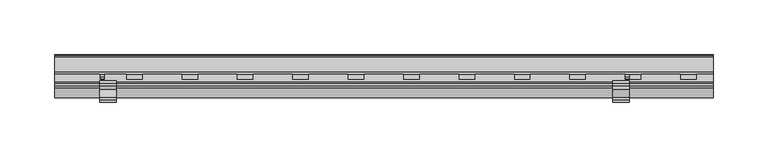
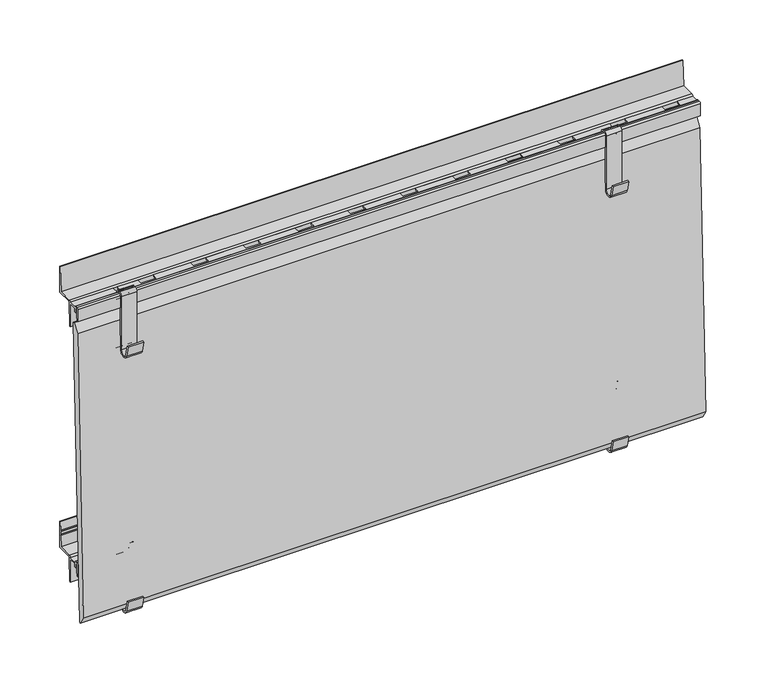
"""IFC4 building model written with IfcOpenShell, lengths in millimetres: plate geometry."""

from ifc_helpers import new_model, si_unit, point, frame, frame_2d, origin, place, context, project, spatial, polyline, circle_curve, trimmed, segment, composite_curve, outline, extrude, source, transform, mapped, element, save
from ifc_brep_helpers import plane_surface, cylinder_surface, revolved_surface, advanced_brep


def plate_36724b46(model_context):
    return source(origin(), model_context, "Body", "SolidModel", [
        extrude(outline(composite_curve([segment(polyline([(-18.8607974, 12.4845754), (-16.2339522, 1.8827501)]), True, "CONTINUOUS"), segment(trimmed(circle_curve(frame_2d((-12.5818057, 2.7976552)), 3.765), [point((-16.2339522, 1.8827501))], [point((-8.8168057, 2.7976552))], True, "CARTESIAN"), True, "CONTINUOUS"), segment(polyline([(-8.8168057, 2.7976552), (-8.8168057, 56.7976552)]), True, "CONTINUOUS"), segment(trimmed(circle_curve(frame_2d((-5.8168057, 56.7976552)), 3.0), [point((-8.8168057, 56.7976552))], [point((-5.8168057, 59.7976552))], False, "CARTESIAN"), True, "CONTINUOUS"), segment(polyline([(-5.8168057, 59.7976552), (-3.8168058, 59.7976552)]), True, "CONTINUOUS"), segment(trimmed(circle_curve(frame_2d((-3.8168058, 56.7976552)), 3.0), [point((-3.8168058, 59.7976552))], [point((-0.8168058, 56.7976552))], False, "CARTESIAN"), True, "CONTINUOUS"), segment(polyline([(-0.8168058, 56.7976552), (-0.8168057, 51.7976552)]), True, "CONTINUOUS"), segment(trimmed(circle_curve(frame_2d((0.6831943, 51.7976552)), 1.5), [point((-0.8168057, 51.7976552))], [point((0.6831943, 50.2976552))], True, "CARTESIAN"), True, "CONTINUOUS"), segment(polyline([(0.6831943, 50.2976552), (2.1831943, 50.2976552)]), True, "CONTINUOUS"), segment(trimmed(circle_curve(frame_2d((2.1831943, 47.2976552)), 3.0), [point((2.1831943, 50.2976552))], [point((5.1831943, 47.2976552))], False, "CARTESIAN"), True, "CONTINUOUS"), segment(polyline([(5.1831943, 47.2976552), (5.1831943, 1.2976552)]), True, "CONTINUOUS"), segment(trimmed(circle_curve(frame_2d((2.1831943, 1.2976552)), 3.0), [point((5.1831943, 1.2976552))], [point((-0.8006941, 0.9871553))], False, "CARTESIAN"), True, "CONTINUOUS"), segment(polyline([(-0.8006941, 0.9871553), (-3.8092302, 30.8457927), (-2.3167633, 30.9961593), (0.6808295, 1.2455237)]), True, "CONTINUOUS"), segment(trimmed(circle_curve(frame_2d((2.1815304, 1.2993191)), 1.5016648), [point((0.6808295, 1.2455237))], [point((3.6831943, 1.300983))], True, "CARTESIAN"), True, "CONTINUOUS"), segment(polyline([(3.6831943, 1.300983), (3.6831943, 47.2976552)]), True, "CONTINUOUS"), segment(trimmed(circle_curve(frame_2d((2.1831943, 47.2976552)), 1.5), [point((3.6831943, 47.2976552))], [point((2.1831943, 48.7976552))], True, "CARTESIAN"), True, "CONTINUOUS"), segment(polyline([(2.1831943, 48.7976552), (0.6831943, 48.7976552)]), True, "CONTINUOUS"), segment(trimmed(circle_curve(frame_2d((0.6831943, 51.7976552)), 3.0), [point((0.6831943, 48.7976552))], [point((-2.3168057, 51.7976552))], False, "CARTESIAN"), True, "CONTINUOUS"), segment(polyline([(-2.3168057, 51.7976552), (-2.3168057, 56.7976552)]), True, "CONTINUOUS"), segment(trimmed(circle_curve(frame_2d((-3.8168057, 56.7976552)), 1.5), [point((-2.3168057, 56.7976552))], [point((-3.8168057, 58.2976552))], True, "CARTESIAN"), True, "CONTINUOUS"), segment(polyline([(-3.8168057, 58.2976552), (-5.8168057, 58.2976552)]), True, "CONTINUOUS"), segment(trimmed(circle_curve(frame_2d((-5.8168057, 56.7976552)), 1.5), [point((-5.8168057, 58.2976552))], [point((-7.3168057, 56.7976552))], True, "CARTESIAN"), True, "CONTINUOUS"), segment(polyline([(-7.3168057, 56.7976552), (-7.3168057, 2.7976552)]), True, "CONTINUOUS"), segment(trimmed(circle_curve(frame_2d((-12.5818057, 2.7976552)), 5.265), [point((-7.3168057, 2.7976552))], [point((-17.692272, 1.5314169))], False, "CARTESIAN"), True, "CONTINUOUS"), segment(polyline([(-17.692272, 1.5314169), (-20.3167911, 12.1238271), (-18.8607974, 12.4845754)]), True, "CONTINUOUS")], self_intersect=False)), frame((208.4272488, 0.0, 0.0), z_axis=(1.0, 0.0, 0.0), x_axis=(0.0, 1.0, 0.0)), (0.0, 0.0, 1.0), 15.0),
        extrude(outline(composite_curve([segment(polyline([(-5.8168057, 56.7976552), (-5.8168057, 49.7976552), (-6.3168057, 44.7976552), (-7.3168057, 44.7976552), (-7.3168057, 56.7976552)]), True, "CONTINUOUS"), segment(trimmed(circle_curve(frame_2d((-5.8168057, 56.7976552)), 1.5), [point((-7.3168057, 56.7976552))], [point((-5.8168057, 58.2976552))], False, "CARTESIAN"), True, "CONTINUOUS"), segment(polyline([(-5.8168057, 58.2976552), (-3.8168057, 58.2976552)]), True, "CONTINUOUS"), segment(trimmed(circle_curve(frame_2d((-3.8168057, 56.7976552)), 1.5), [point((-3.8168057, 58.2976552))], [point((-2.3168057, 56.7976552))], False, "CARTESIAN"), True, "CONTINUOUS"), segment(polyline([(-2.3168057, 56.7976552), (5.1831943, 56.7976552)]), True, "CONTINUOUS"), segment(trimmed(circle_curve(frame_2d((6.6831943, 56.7976552)), 1.5), [point((5.1831943, 56.7976552))], [point((6.6831943, 58.2976552))], False, "CARTESIAN"), True, "CONTINUOUS"), segment(polyline([(6.6831943, 58.2976552), (20.6831943, 58.2976552), (21.1423236, 69.7758352), (20.6038409, 70.35277), (21.1905414, 70.9813863), (21.2902042, 73.4729787), (20.7538425, 74.0476552), (21.3382388, 74.6737997), (21.6831943, 83.2976552), (22.6831943, 83.2976552), (22.6831943, 56.7976552), (7.6831943, 56.7976552)]), True, "CONTINUOUS"), segment(trimmed(circle_curve(frame_2d((7.6831943, 56.2976552)), 0.5), [point((7.6831943, 56.7976552))], [point((7.1831943, 56.2976552))], True, "CARTESIAN"), True, "CONTINUOUS"), segment(polyline([(7.1831943, 56.2976552), (7.1831943, 55.3127462), (6.1831943, 31.7976552), (5.1831943, 31.7976552), (5.1831943, 55.2976552), (-2.3168057, 55.2976552), (-2.3168057, 51.7696554), (-3.8168057, 51.7696554), (-3.8168057, 56.7976552), (-5.8168057, 56.7976552)]), True, "CONTINUOUS")], self_intersect=False)), frame((-300.0, 0.0, 0.0), z_axis=(1.0, 0.0, 0.0), x_axis=(0.0, 1.0, 0.0)), (0.0, 0.0, 1.0), 600.0),
        extrude(outline(composite_curve([segment(polyline([(-18.8607974, 12.4845754), (-16.2339522, 1.8827501)]), True, "CONTINUOUS"), segment(trimmed(circle_curve(frame_2d((-12.5818057, 2.7976552)), 3.765), [point((-16.2339522, 1.8827501))], [point((-8.8168057, 2.7976552))], True, "CARTESIAN"), True, "CONTINUOUS"), segment(polyline([(-8.8168057, 2.7976552), (-8.8168057, 56.7976552)]), True, "CONTINUOUS"), segment(trimmed(circle_curve(frame_2d((-5.8168057, 56.7976552)), 3.0), [point((-8.8168057, 56.7976552))], [point((-5.8168057, 59.7976552))], False, "CARTESIAN"), True, "CONTINUOUS"), segment(polyline([(-5.8168057, 59.7976552), (-3.8168057, 59.7976552)]), True, "CONTINUOUS"), segment(trimmed(circle_curve(frame_2d((-3.8168057, 56.7976552)), 3.0), [point((-3.8168057, 59.7976552))], [point((-0.8168057, 56.7976552))], False, "CARTESIAN"), True, "CONTINUOUS"), segment(polyline([(-0.8168057, 56.7976552), (-0.8168057, 51.7976552)]), True, "CONTINUOUS"), segment(trimmed(circle_curve(frame_2d((0.6831943, 51.7976552)), 1.5), [point((-0.8168057, 51.7976552))], [point((0.6831943, 50.2976552))], True, "CARTESIAN"), True, "CONTINUOUS"), segment(polyline([(0.6831943, 50.2976552), (2.1831943, 50.2976552)]), True, "CONTINUOUS"), segment(trimmed(circle_curve(frame_2d((2.1831943, 47.2976552)), 3.0), [point((2.1831943, 50.2976552))], [point((5.1831943, 47.2976552))], False, "CARTESIAN"), True, "CONTINUOUS"), segment(polyline([(5.1831943, 47.2976552), (5.1831943, 1.2976552)]), True, "CONTINUOUS"), segment(trimmed(circle_curve(frame_2d((2.1831943, 1.2976552)), 3.0), [point((5.1831943, 1.2976552))], [point((-0.8006941, 0.9871553))], False, "CARTESIAN"), True, "CONTINUOUS"), segment(polyline([(-0.8006941, 0.9871553), (-3.8092302, 30.8457927), (-2.3167633, 30.9961593), (0.6808295, 1.2455237)]), True, "CONTINUOUS"), segment(trimmed(circle_curve(frame_2d((2.1815304, 1.2993191)), 1.5016648), [point((0.6808295, 1.2455237))], [point((3.6831943, 1.300983))], True, "CARTESIAN"), True, "CONTINUOUS"), segment(polyline([(3.6831943, 1.300983), (3.6831943, 47.2976552)]), True, "CONTINUOUS"), segment(trimmed(circle_curve(frame_2d((2.1831943, 47.2976552)), 1.5), [point((3.6831943, 47.2976552))], [point((2.1831943, 48.7976552))], True, "CARTESIAN"), True, "CONTINUOUS"), segment(polyline([(2.1831943, 48.7976552), (0.6831943, 48.7976552)]), True, "CONTINUOUS"), segment(trimmed(circle_curve(frame_2d((0.6831943, 51.7976552)), 3.0), [point((0.6831943, 48.7976552))], [point((-2.3168057, 51.7976552))], False, "CARTESIAN"), True, "CONTINUOUS"), segment(polyline([(-2.3168057, 51.7976552), (-2.3168057, 56.7976552)]), True, "CONTINUOUS"), segment(trimmed(circle_curve(frame_2d((-3.8168057, 56.7976552)), 1.5), [point((-2.3168057, 56.7976552))], [point((-3.8168057, 58.2976552))], True, "CARTESIAN"), True, "CONTINUOUS"), segment(polyline([(-3.8168057, 58.2976552), (-5.8168057, 58.2976552)]), True, "CONTINUOUS"), segment(trimmed(circle_curve(frame_2d((-5.8168057, 56.7976552)), 1.5), [point((-5.8168057, 58.2976552))], [point((-7.3168057, 56.7976552))], True, "CARTESIAN"), True, "CONTINUOUS"), segment(polyline([(-7.3168057, 56.7976552), (-7.3168057, 2.7976552)]), True, "CONTINUOUS"), segment(trimmed(circle_curve(frame_2d((-12.5818057, 2.7976552)), 5.265), [point((-7.3168057, 2.7976552))], [point((-17.692272, 1.5314169))], False, "CARTESIAN"), True, "CONTINUOUS"), segment(polyline([(-17.692272, 1.5314169), (-20.3167911, 12.1238271), (-18.8607974, 12.4845754)]), True, "CONTINUOUS")], self_intersect=False)), frame((-258.9272488, 0.0, 0.0), z_axis=(1.0, 0.0, 0.0), x_axis=(0.0, 1.0, 0.0)), (0.0, 0.0, 1.0), 15.0),
        extrude(outline(composite_curve([segment(polyline([(-8.8168056, 262.7801056), (-8.8168056, 316.7801055)]), True, "CONTINUOUS"), segment(trimmed(circle_curve(frame_2d((-5.8168057, 316.7801055)), 3.0), [point((-8.8168056, 316.7801055))], [point((-5.8168057, 319.7801055))], False, "CARTESIAN"), True, "CONTINUOUS"), segment(polyline([(-5.8168057, 319.7801055), (-3.8168057, 319.7801055)]), True, "CONTINUOUS"), segment(trimmed(circle_curve(frame_2d((-3.8168057, 316.7801055)), 3.0), [point((-3.8168057, 319.7801055))], [point((-0.8168057, 316.7801055))], False, "CARTESIAN"), True, "CONTINUOUS"), segment(polyline([(-0.8168057, 316.7801055), (-0.8168057, 311.7801055)]), True, "CONTINUOUS"), segment(trimmed(circle_curve(frame_2d((0.6831943, 311.7801055)), 1.5), [point((-0.8168057, 311.7801055))], [point((0.6831943, 310.2801055))], True, "CARTESIAN"), True, "CONTINUOUS"), segment(polyline([(0.6831943, 310.2801055), (2.1831943, 310.2801055)]), True, "CONTINUOUS"), segment(trimmed(circle_curve(frame_2d((2.1831943, 307.2801056)), 3.0), [point((2.1831943, 310.2801055))], [point((5.1831943, 307.2801056))], False, "CARTESIAN"), True, "CONTINUOUS"), segment(polyline([(5.1831943, 307.2801056), (5.1831943, 261.2801056)]), True, "CONTINUOUS"), segment(trimmed(circle_curve(frame_2d((2.1831943, 261.2801056)), 3.0), [point((5.1831943, 261.2801056))], [point((-0.8168057, 261.2801056))], False, "CARTESIAN"), True, "CONTINUOUS"), segment(polyline([(-0.8168057, 261.2801056), (-0.8168057, 291.2801056), (0.6831943, 291.2801056), (0.6831943, 261.2801056)]), True, "CONTINUOUS"), segment(trimmed(circle_curve(frame_2d((2.1831943, 261.2801056)), 1.5), [point((0.6831943, 261.2801056))], [point((3.6831943, 261.2801056))], True, "CARTESIAN"), True, "CONTINUOUS"), segment(polyline([(3.6831943, 261.2801056), (3.6831943, 307.2801056)]), True, "CONTINUOUS"), segment(trimmed(circle_curve(frame_2d((2.1831943, 307.2801056)), 1.5), [point((3.6831943, 307.2801056))], [point((2.1831943, 308.7801056))], True, "CARTESIAN"), True, "CONTINUOUS"), segment(polyline([(2.1831943, 308.7801056), (0.6831943, 308.7801056)]), True, "CONTINUOUS"), segment(trimmed(circle_curve(frame_2d((0.6831943, 311.7801055)), 3.0), [point((0.6831943, 308.7801056))], [point((-2.3168057, 311.7801055))], False, "CARTESIAN"), True, "CONTINUOUS"), segment(polyline([(-2.3168057, 311.7801055), (-2.3168057, 316.7801055)]), True, "CONTINUOUS"), segment(trimmed(circle_curve(frame_2d((-3.8168057, 316.7801055)), 1.5), [point((-2.3168057, 316.7801055))], [point((-3.8168057, 318.2801055))], True, "CARTESIAN"), True, "CONTINUOUS"), segment(polyline([(-3.8168057, 318.2801055), (-5.8168057, 318.2801055)]), True, "CONTINUOUS"), segment(trimmed(circle_curve(frame_2d((-5.8168057, 316.7801055)), 1.5), [point((-5.8168057, 318.2801055))], [point((-7.3168057, 316.7801055))], True, "CARTESIAN"), True, "CONTINUOUS"), segment(polyline([(-7.3168057, 316.7801055), (-7.3168057, 262.7801056)]), True, "CONTINUOUS"), segment(trimmed(circle_curve(frame_2d((-12.5818056, 262.7801056)), 5.265), [point((-7.3168057, 262.7801056))], [point((-17.6922719, 261.5138672))], False, "CARTESIAN"), True, "CONTINUOUS"), segment(polyline([(-17.6922719, 261.5138672), (-20.316791, 272.1062774), (-18.8607973, 272.4670257), (-16.2386219, 261.8840476)]), True, "CONTINUOUS"), segment(trimmed(circle_curve(frame_2d((-12.5818056, 262.7801056)), 3.765), [point((-16.2386219, 261.8840476))], [point((-8.8168056, 262.7801056))], True, "CARTESIAN"), True, "CONTINUOUS")], self_intersect=False)), frame((-258.9272488, 0.0, 0.0), z_axis=(1.0, 0.0, 0.0), x_axis=(0.0, 1.0, 0.0)), (0.0, 0.0, 1.0), 15.0),
        advanced_brep(
        [(300.0, -6.3168057, 304.7801056), (300.0, -5.8168057, 309.7801056), (300.0, -5.8168057, 316.7801056), (300.0, -3.8168057, 316.7801056), (300.0, -3.8168057, 311.7521057), (300.0, -2.3168057, 311.7521057), (300.0, -2.3168057, 315.2801056), (300.0, 5.1831943, 315.2801056), (300.0, 5.1831943, 291.7801056), (300.0, 6.1831943, 291.7801056), (300.0, 7.2219099, 316.2055981), (300.0, 7.8213681, 316.7801056), (300.0, 22.6831943, 316.7801056), (300.0, 22.6831943, 343.2801056), (300.0, 21.6831943, 343.2801056), (300.0, 20.6831943, 318.2801056), (300.0, 6.6831943, 318.2801056), (300.0, 5.1831942, 316.7801056), (300.0, -2.3168057, 316.7801056), (300.0, -3.8168057, 318.2801056), (300.0, -5.8168057, 318.2801056), (300.0, -7.3168057, 316.7801056), (300.0, -7.3168057, 304.7801056), (-300.0, -6.3168057, 304.7801056), (-300.0, -7.3168057, 304.7801056), (-300.0, -7.3168057, 316.7801056), (-300.0, -5.8168057, 318.2801056), (-300.0, -3.8168057, 318.2801056), (-300.0, -2.3168057, 316.7801056), (-300.0, 5.1831942, 316.7801056), (-300.0, 6.6831943, 318.2801056), (-300.0, 20.6831943, 318.2801056), (-300.0, 21.6831943, 343.2801056), (-300.0, 22.6831943, 343.2801056), (-300.0, 22.6831943, 316.7801056), (-300.0, 7.8213681, 316.7801056), (-300.0, 7.2219099, 316.2055981), (-300.0, 6.1831943, 291.7801056), (-300.0, 5.1831943, 291.7801056), (-300.0, 5.1831943, 315.2801056), (-300.0, -2.3168057, 315.2801056), (-300.0, -2.3168057, 311.7521057), (-300.0, -3.8168057, 311.7521057), (-300.0, -3.8168057, 316.7801056), (-300.0, -5.8168057, 316.7801056), (-300.0, -5.8168057, 309.7801056), (285.0, 5.1831942, 316.7801056), (285.0, 0.0, 316.7801056), (270.0, 0.0, 316.7801056), (270.0, 5.1831942, 316.7801056), (234.5, 5.1831942, 316.7801056), (234.5, 0.0, 316.7801056), (219.5, 0.0, 316.7801056), (219.5, 5.1831942, 316.7801056), (184.0, 5.1831942, 316.7801056), (184.0, 0.0, 316.7801056), (169.0, 0.0, 316.7801056), (169.0, 5.1831942, 316.7801056), (133.5, 5.1831942, 316.7801056), (133.5, 0.0, 316.7801056), (118.5, 0.0, 316.7801056), (118.5, 5.1831942, 316.7801056), (83.0, 5.1831942, 316.7801056), (83.0, 0.0, 316.7801056), (68.0, 0.0, 316.7801056), (68.0, 5.1831942, 316.7801056), (32.5, 5.1831942, 316.7801056), (32.5, 0.0, 316.7801056), (17.5, 0.0, 316.7801056), (17.5, 5.1831942, 316.7801056), (-18.0, 5.1831942, 316.7801056), (-18.0, 0.0, 316.7801056), (-33.0, 0.0, 316.7801056), (-33.0, 5.1831942, 316.7801056), (-68.5, 5.1831942, 316.7801056), (-68.5, 0.0, 316.7801056), (-83.5, 0.0, 316.7801056), (-83.5, 5.1831942, 316.7801056), (-119.0, 5.1831942, 316.7801056), (-119.0, 0.0, 316.7801056), (-134.0, 0.0, 316.7801056), (-134.0, 5.1831942, 316.7801056), (-169.5, 5.1831942, 316.7801056), (-169.5, 0.0, 316.7801056), (-184.5, 0.0, 316.7801056), (-184.5, 5.1831942, 316.7801056), (-220.0, 5.1831942, 316.7801056), (-220.0, 0.0, 316.7801056), (-235.0, 0.0, 316.7801056), (-235.0, 5.1831942, 316.7801056), (-254.6830534, 5.1831942, 316.7801056), (-254.6830534, 0.0, 316.7801056), (-258.9272488, 0.0, 316.7801056), (-258.9272488, 5.1831942, 316.7801056), (285.0, 5.1831943, 315.2801056), (270.0, 5.1831943, 315.2976552), (234.5, 5.1831943, 315.2801056), (219.5, 5.1831943, 315.2976552), (184.0, 5.1831943, 315.2801056), (169.0, 5.1831943, 315.2976552), (133.5, 5.1831943, 315.2801056), (118.5, 5.1831943, 315.2976552), (83.0, 5.1831943, 315.2801056), (68.0, 5.1831943, 315.2976552), (32.5, 5.1831943, 315.2801056), (17.5, 5.1831943, 315.2976552), (-18.0, 5.1831943, 315.2801056), (-33.0, 5.1831943, 315.2976552), (-68.5, 5.1831943, 315.2801056), (-83.5, 5.1831943, 315.2976552), (-119.0, 5.1831943, 315.2801056), (-134.0, 5.1831943, 315.2976552), (-169.5, 5.1831943, 315.2801056), (-184.5, 5.1831943, 315.2976552), (-220.0, 5.1831943, 315.2801056), (-235.0, 5.1831943, 315.2976552), (-254.6830534, 5.1831943, 315.2801056), (-258.9272488, 5.1831943, 315.2801056), (-258.9272488, 0.0, 315.2801056), (-254.6830534, 0.0, 315.2801056), (-235.0, 0.0, 315.2801056), (-220.0, 0.0, 315.2801056), (-184.5, 0.0, 315.2801056), (-169.5, 0.0, 315.2801056), (-134.0, 0.0, 315.2801056), (-119.0, 0.0, 315.2801056), (-83.5, 0.0, 315.2801056), (-68.5, 0.0, 315.2801056), (-33.0, 0.0, 315.2801056), (-18.0, 0.0, 315.2801056), (17.5, 0.0, 315.2801056), (32.5, 0.0, 315.2801056), (68.0, 0.0, 315.2801056), (83.0, 0.0, 315.2801056), (118.5, 0.0, 315.2801056), (133.5, 0.0, 315.2801056), (169.0, 0.0, 315.2801056), (184.0, 0.0, 315.2801056), (219.5, 0.0, 315.2801056), (234.5, 0.0, 315.2801056), (270.0, 0.0, 315.2801056), (285.0, 0.0, 315.2801056)],
        [
            (0, 1),
            (1, 2),
            (2, 3),
            (3, 4),
            (4, 5),
            (5, 6),
            (6, 7),
            (7, 8),
            (8, 9),
            (9, 10),
            (10, 11, circle_curve(frame((300.0, 7.8213681, 316.1801056), z_axis=(-1.0, 0.0, 0.0), x_axis=(0.0, -1.0, 0.0)), 0.6)),
            (11, 12),
            (12, 13),
            (13, 14),
            (14, 15),
            (15, 16),
            (16, 17, circle_curve(frame((300.0, 6.6831943, 316.7801056), z_axis=(1.0, 0.0, 0.0), x_axis=(0.0, -1.0, 0.0)), 1.5)),
            (17, 18),
            (18, 19, circle_curve(frame((300.0, -3.8168057, 316.7801056), z_axis=(1.0, 0.0, 0.0), x_axis=(0.0, -1.0, 0.0)), 1.5)),
            (19, 20),
            (20, 21, circle_curve(frame((300.0, -5.8168057, 316.7801056), z_axis=(1.0, 0.0, 0.0), x_axis=(0.0, -1.0, 0.0)), 1.5)),
            (21, 22),
            (22, 0),
            (23, 24),
            (24, 25),
            (25, 26, circle_curve(frame((-300.0, -5.8168057, 316.7801056), z_axis=(-1.0, 0.0, 0.0), x_axis=(0.0, -1.0, 0.0)), 1.5)),
            (26, 27),
            (27, 28, circle_curve(frame((-300.0, -3.8168057, 316.7801056), z_axis=(-1.0, 0.0, 0.0), x_axis=(0.0, -1.0, 0.0)), 1.5)),
            (28, 29),
            (29, 30, circle_curve(frame((-300.0, 6.6831943, 316.7801056), z_axis=(-1.0, 0.0, 0.0), x_axis=(0.0, -1.0, 0.0)), 1.5)),
            (30, 31),
            (31, 32),
            (32, 33),
            (33, 34),
            (34, 35),
            (35, 36, circle_curve(frame((-300.0, 7.8213681, 316.1801056), z_axis=(1.0, 0.0, 0.0), x_axis=(0.0, -1.0, 0.0)), 0.6)),
            (36, 37),
            (37, 38),
            (38, 39),
            (39, 40),
            (40, 41),
            (41, 42),
            (42, 43),
            (43, 44),
            (44, 45),
            (45, 23),
            (22, 24),
            (23, 0),
            (21, 25),
            (20, 26),
            (19, 27),
            (18, 28),
            (17, 46),
            (46, 47),
            (47, 48),
            (48, 49),
            (49, 50),
            (50, 51),
            (51, 52),
            (52, 53),
            (53, 54),
            (54, 55),
            (55, 56),
            (56, 57),
            (57, 58),
            (58, 59),
            (59, 60),
            (60, 61),
            (61, 62),
            (62, 63),
            (63, 64),
            (64, 65),
            (65, 66),
            (66, 67),
            (67, 68),
            (68, 69),
            (69, 70),
            (70, 71),
            (71, 72),
            (72, 73),
            (73, 74),
            (74, 75),
            (75, 76),
            (76, 77),
            (77, 78),
            (78, 79),
            (79, 80),
            (80, 81),
            (81, 82),
            (82, 83),
            (83, 84),
            (84, 85),
            (85, 86),
            (86, 87),
            (87, 88),
            (88, 89),
            (89, 90),
            (90, 91),
            (91, 92),
            (92, 93),
            (93, 29),
            (16, 30),
            (93, 90),
            (89, 86),
            (85, 82),
            (81, 78),
            (77, 74),
            (73, 70),
            (69, 66),
            (65, 62),
            (61, 58),
            (57, 54),
            (53, 50),
            (49, 46),
            (15, 31),
            (14, 32),
            (13, 33),
            (12, 34),
            (11, 35),
            (10, 36),
            (9, 37),
            (8, 38),
            (7, 94),
            (94, 46),
            (49, 95),
            (95, 96),
            (96, 50),
            (53, 97),
            (97, 98),
            (98, 54),
            (57, 99),
            (99, 100),
            (100, 58),
            (61, 101),
            (101, 102),
            (102, 62),
            (65, 103),
            (103, 104),
            (104, 66),
            (69, 105),
            (105, 106),
            (106, 70),
            (73, 107),
            (107, 108),
            (108, 74),
            (77, 109),
            (109, 110),
            (110, 78),
            (81, 111),
            (111, 112),
            (112, 82),
            (85, 113),
            (113, 114),
            (114, 86),
            (89, 115),
            (115, 116),
            (116, 90),
            (93, 117),
            (117, 39),
            (6, 40),
            (117, 118),
            (118, 119),
            (119, 116),
            (115, 120),
            (120, 121),
            (121, 114),
            (113, 122),
            (122, 123),
            (123, 112),
            (111, 124),
            (124, 125),
            (125, 110),
            (109, 126),
            (126, 127),
            (127, 108),
            (107, 128),
            (128, 129),
            (129, 106),
            (105, 130),
            (130, 131),
            (131, 104),
            (103, 132),
            (132, 133),
            (133, 102),
            (101, 134),
            (134, 135),
            (135, 100),
            (99, 136),
            (136, 137),
            (137, 98),
            (97, 138),
            (138, 139),
            (139, 96),
            (95, 140),
            (140, 141),
            (141, 94),
            (5, 41),
            (4, 42),
            (3, 43),
            (2, 44),
            (1, 45),
            (92, 118),
            (119, 91),
            (121, 87),
            (88, 120),
            (123, 83),
            (84, 122),
            (125, 79),
            (80, 124),
            (127, 75),
            (76, 126),
            (129, 71),
            (72, 128),
            (131, 67),
            (68, 130),
            (133, 63),
            (64, 132),
            (135, 59),
            (60, 134),
            (137, 55),
            (56, 136),
            (139, 51),
            (52, 138),
            (141, 47),
            (48, 140),
        ],
        [
            plane_surface(frame((300.0, -7.3168057, 304.7801056), z_axis=(1.0, 0.0, 0.0), x_axis=(0.0, -1.0, 0.0))),
            plane_surface(frame((-300.0, -7.3168057, 304.7801056), z_axis=(-1.0, 0.0, 0.0), x_axis=(0.0, 1.0, 0.0))),
            plane_surface(frame((300.0, -6.3168057, 304.7801056), z_axis=(0.0, 0.0, -1.0), x_axis=(-1.0, 0.0, 0.0))),
            plane_surface(frame((300.0, -7.3168057, 304.7801056), z_axis=(0.0, -1.0, 0.0), x_axis=(-1.0, 0.0, 0.0))),
            cylinder_surface(frame((-300.0, -5.8168057, 316.7801056), z_axis=(1.0, 0.0, 0.0), x_axis=(0.0, -1.0, 0.0)), 1.5),
            plane_surface(frame((300.0, -5.8168057, 318.2801056), z_axis=(0.0, 0.0, 1.0), x_axis=(-1.0, 0.0, 0.0))),
            cylinder_surface(frame((-300.0, -3.8168057, 316.7801056), z_axis=(1.0, 0.0, 0.0), x_axis=(0.0, -1.0, 0.0)), 1.5),
            plane_surface(frame((300.0, -2.3168057, 316.7801056), z_axis=(0.0, 0.0, 1.0), x_axis=(-1.0, 0.0, 0.0))),
            cylinder_surface(frame((-300.0, 6.6831943, 316.7801056), z_axis=(1.0, 0.0, 0.0), x_axis=(0.0, -1.0, 0.0)), 1.5),
            plane_surface(frame((300.0, 6.6831943, 318.2801056), z_axis=(0.0, 0.0, 1.0), x_axis=(-1.0, 0.0, 0.0))),
            plane_surface(frame((300.0, 20.6831943, 318.2801056), z_axis=(0.0, -0.9992009587217895, 0.0399680383488705), x_axis=(-1.0, 0.0, 0.0))),
            plane_surface(frame((300.0, 21.6831943, 343.2801056), z_axis=(0.0, 0.0, 1.0), x_axis=(-1.0, 0.0, 0.0))),
            plane_surface(frame((300.0, 22.6831943, 343.2801056), z_axis=(0.0, 1.0, 0.0), x_axis=(-1.0, 0.0, 0.0))),
            plane_surface(frame((300.0, 22.6831943, 316.7801056), z_axis=(0.0, 0.0, -1.0), x_axis=(-1.0, 0.0, 0.0))),
            revolved_surface(polyline([(-300.0, 7.2213681, 316.1801056), (300.0, 7.2213681, 316.1801056)]), (-300.0, 7.8213681, 316.1801056), (-1.0, 0.0, 0.0)),
            plane_surface(frame((300.0, 7.2219099, 316.2055981), z_axis=(0.0, 0.9990969992385167, -0.04248748183396547), x_axis=(-1.0, 0.0, 0.0))),
            plane_surface(frame((300.0, 6.1831943, 291.7801056), z_axis=(0.0, 0.0, -1.0), x_axis=(-1.0, 0.0, 0.0))),
            plane_surface(frame((300.0, 5.1831943, 291.7801056), z_axis=(0.0, -1.0, 0.0), x_axis=(-1.0, 0.0, 0.0))),
            plane_surface(frame((300.0, 5.1831943, 315.2801056), z_axis=(0.0, 0.0, -1.0), x_axis=(-1.0, 0.0, 0.0))),
            plane_surface(frame((300.0, -2.3168057, 315.2801056), z_axis=(0.0, 1.0, 0.0), x_axis=(-1.0, 0.0, 0.0))),
            plane_surface(frame((300.0, -2.3168057, 311.7521057), z_axis=(0.0, 0.0, -1.0), x_axis=(-1.0, 0.0, 0.0))),
            plane_surface(frame((300.0, -3.8168057, 311.7521057), z_axis=(0.0, -1.0, 0.0), x_axis=(-1.0, 0.0, 0.0))),
            plane_surface(frame((300.0, -3.8168057, 316.7801056), z_axis=(0.0, 0.0, -1.0), x_axis=(-1.0, 0.0, 0.0))),
            plane_surface(frame((300.0, -5.8168057, 316.7801056), z_axis=(0.0, 1.0, 0.0), x_axis=(-1.0, 0.0, 0.0))),
            plane_surface(frame((300.0, -5.8168057, 309.7801056), z_axis=(0.0, 0.9950371902099884, -0.0995037190210076), x_axis=(-1.0, 0.0, 0.0))),
            plane_surface(frame((-258.9272488, 5.1831943, 316.7801055), z_axis=(1.0, 0.0, 0.0), x_axis=(0.0, 0.0, 1.0))),
            plane_surface(frame((-254.6830534, 5.1831943, 316.7801055), z_axis=(-1.0, 0.0, 0.0), x_axis=(0.0, 0.0, -1.0))),
            plane_surface(frame((-254.6830534, 0.0, 315.2801056), z_axis=(0.0, 1.0, 0.0), x_axis=(-1.0, 0.0, 0.0))),
            plane_surface(frame((-220.0, 5.1831943, 316.7976552), z_axis=(-1.0, 0.0, 0.0), x_axis=(0.0, 0.0, -1.0))),
            plane_surface(frame((-235.0, 5.1831943, 316.7976552), z_axis=(1.0, 0.0, 0.0), x_axis=(0.0, 0.0, 1.0))),
            plane_surface(frame((-220.0, 0.0, 315.2976552), z_axis=(0.0, 1.0, 0.0), x_axis=(-1.0, 0.0, 0.0))),
            plane_surface(frame((-169.5, 5.1831943, 316.7976552), z_axis=(-1.0, 0.0, 0.0), x_axis=(0.0, 0.0, -1.0))),
            plane_surface(frame((-184.5, 5.1831943, 316.7976552), z_axis=(1.0, 0.0, 0.0), x_axis=(0.0, 0.0, 1.0))),
            plane_surface(frame((-169.5, 0.0, 315.2976552), z_axis=(0.0, 1.0, 0.0), x_axis=(-1.0, 0.0, 0.0))),
            plane_surface(frame((-119.0, 5.1831943, 316.7976552), z_axis=(-1.0, 0.0, 0.0), x_axis=(0.0, 0.0, -1.0))),
            plane_surface(frame((-134.0, 5.1831943, 316.7976552), z_axis=(1.0, 0.0, 0.0), x_axis=(0.0, 0.0, 1.0))),
            plane_surface(frame((-119.0, 0.0, 315.2976552), z_axis=(0.0, 1.0, 0.0), x_axis=(-1.0, 0.0, 0.0))),
            plane_surface(frame((-68.5, 5.1831943, 316.7976552), z_axis=(-1.0, 0.0, 0.0), x_axis=(0.0, 0.0, -1.0))),
            plane_surface(frame((-83.5, 5.1831943, 316.7976552), z_axis=(1.0, 0.0, 0.0), x_axis=(0.0, 0.0, 1.0))),
            plane_surface(frame((-68.5, 0.0, 315.2976552), z_axis=(0.0, 1.0, 0.0), x_axis=(-1.0, 0.0, 0.0))),
            plane_surface(frame((-18.0, 5.1831943, 316.7976552), z_axis=(-1.0, 0.0, 0.0), x_axis=(0.0, 0.0, -1.0))),
            plane_surface(frame((-33.0, 5.1831943, 316.7976552), z_axis=(1.0, 0.0, 0.0), x_axis=(0.0, 0.0, 1.0))),
            plane_surface(frame((-18.0, 0.0, 315.2976552), z_axis=(0.0, 1.0, 0.0), x_axis=(-1.0, 0.0, 0.0))),
            plane_surface(frame((32.5, 5.1831943, 316.7976552), z_axis=(-1.0, 0.0, 0.0), x_axis=(0.0, 0.0, -1.0))),
            plane_surface(frame((17.5, 5.1831943, 316.7976552), z_axis=(1.0, 0.0, 0.0), x_axis=(0.0, 0.0, 1.0))),
            plane_surface(frame((32.5, 0.0, 315.2976552), z_axis=(0.0, 1.0, 0.0), x_axis=(-1.0, 0.0, 0.0))),
            plane_surface(frame((83.0, 5.1831943, 316.7976552), z_axis=(-1.0, 0.0, 0.0), x_axis=(0.0, 0.0, -1.0))),
            plane_surface(frame((68.0, 5.1831943, 316.7976552), z_axis=(1.0, 0.0, 0.0), x_axis=(0.0, 0.0, 1.0))),
            plane_surface(frame((83.0, 0.0, 315.2976552), z_axis=(0.0, 1.0, 0.0), x_axis=(-1.0, 0.0, 0.0))),
            plane_surface(frame((133.5, 5.1831943, 316.7976552), z_axis=(-1.0, 0.0, 0.0), x_axis=(0.0, 0.0, -1.0))),
            plane_surface(frame((118.5, 5.1831943, 316.7976552), z_axis=(1.0, 0.0, 0.0), x_axis=(0.0, 0.0, 1.0))),
            plane_surface(frame((133.5, 0.0, 315.2976552), z_axis=(0.0, 1.0, 0.0), x_axis=(-1.0, 0.0, 0.0))),
            plane_surface(frame((184.0, 5.1831943, 316.7976552), z_axis=(-1.0, 0.0, 0.0), x_axis=(0.0, 0.0, -1.0))),
            plane_surface(frame((169.0, 5.1831943, 316.7976552), z_axis=(1.0, 0.0, 0.0), x_axis=(0.0, 0.0, 1.0))),
            plane_surface(frame((184.0, 0.0, 315.2976552), z_axis=(0.0, 1.0, 0.0), x_axis=(-1.0, 0.0, 0.0))),
            plane_surface(frame((234.5, 5.1831943, 316.7976552), z_axis=(-1.0, 0.0, 0.0), x_axis=(0.0, 0.0, -1.0))),
            plane_surface(frame((219.5, 5.1831943, 316.7976552), z_axis=(1.0, 0.0, 0.0), x_axis=(0.0, 0.0, 1.0))),
            plane_surface(frame((234.5, 0.0, 315.2976552), z_axis=(0.0, 1.0, 0.0), x_axis=(-1.0, 0.0, 0.0))),
            plane_surface(frame((285.0, 5.1831943, 316.7976552), z_axis=(-1.0, 0.0, 0.0), x_axis=(0.0, 0.0, -1.0))),
            plane_surface(frame((270.0, 5.1831943, 316.7976552), z_axis=(1.0, 0.0, 0.0), x_axis=(0.0, 0.0, 1.0))),
            plane_surface(frame((285.0, 0.0, 315.2976552), z_axis=(0.0, 1.0, 0.0), x_axis=(-1.0, 0.0, 0.0))),
        ],
        [
            (0, [[1, 2, 3, 4, 5, 6, 7, 8, 9, 10, 11, 12, 13, 14, 15, 16, 17, 18, 19, 20, 21, 22, 23]]),
            (1, [[24, 25, 26, 27, 28, 29, 30, 31, 32, 33, 34, 35, 36, 37, 38, 39, 40, 41, 42, 43, 44, 45, 46]]),
            (2, [[47, -24, 48, -23]]),
            (3, [[49, -25, -47, -22]]),
            (4, [[50, -26, -49, -21]]),
            (5, [[51, -27, -50, -20]]),
            (6, [[52, -28, -51, -19]]),
            (7, [[53, 54, 55, 56, 57, 58, 59, 60, 61, 62, 63, 64, 65, 66, 67, 68, 69, 70, 71, 72, 73, 74, 75, 76, 77, 78, 79, 80, 81, 82, 83, 84, 85, 86, 87, 88, 89, 90, 91, 92, 93, 94, 95, 96, 97, 98, 99, 100, 101, -29, -52, -18]]),
            (8, [[102, -30, -101, 103, -97, 104, -93, 105, -89, 106, -85, 107, -81, 108, -77, 109, -73, 110, -69, 111, -65, 112, -61, 113, -57, 114, -53, -17]]),
            (9, [[115, -31, -102, -16]]),
            (10, [[116, -32, -115, -15]]),
            (11, [[117, -33, -116, -14]]),
            (12, [[118, -34, -117, -13]]),
            (13, [[119, -35, -118, -12]]),
            (14, [[120, -36, -119, -11]]),
            (15, [[121, -37, -120, -10]]),
            (16, [[122, -38, -121, -9]]),
            (17, [[123, 124, -114, 125, 126, 127, -113, 128, 129, 130, -112, 131, 132, 133, -111, 134, 135, 136, -110, 137, 138, 139, -109, 140, 141, 142, -108, 143, 144, 145, -107, 146, 147, 148, -106, 149, 150, 151, -105, 152, 153, 154, -104, 155, 156, 157, -103, 158, 159, -39, -122, -8]]),
            (18, [[160, -40, -159, 161, 162, 163, -156, 164, 165, 166, -153, 167, 168, 169, -150, 170, 171, 172, -147, 173, 174, 175, -144, 176, 177, 178, -141, 179, 180, 181, -138, 182, 183, 184, -135, 185, 186, 187, -132, 188, 189, 190, -129, 191, 192, 193, -126, 194, 195, 196, -123, -7]]),
            (19, [[197, -41, -160, -6]]),
            (20, [[198, -42, -197, -5]]),
            (21, [[199, -43, -198, -4]]),
            (22, [[200, -44, -199, -3]]),
            (23, [[201, -45, -200, -2]]),
            (24, [[-48, -46, -201, -1]]),
            (25, [[-100, 202, -161, -158]]),
            (26, [[-98, -157, -163, 203]]),
            (27, [[-99, -203, -162, -202]]),
            (28, [[-94, -154, -166, 204]]),
            (29, [[-96, 205, -164, -155]]),
            (30, [[-165, -205, -95, -204]]),
            (31, [[-90, -151, -169, 206]]),
            (32, [[-92, 207, -167, -152]]),
            (33, [[-168, -207, -91, -206]]),
            (34, [[-86, -148, -172, 208]]),
            (35, [[-88, 209, -170, -149]]),
            (36, [[-171, -209, -87, -208]]),
            (37, [[-82, -145, -175, 210]]),
            (38, [[-84, 211, -173, -146]]),
            (39, [[-174, -211, -83, -210]]),
            (40, [[-78, -142, -178, 212]]),
            (41, [[-80, 213, -176, -143]]),
            (42, [[-177, -213, -79, -212]]),
            (43, [[-74, -139, -181, 214]]),
            (44, [[-76, 215, -179, -140]]),
            (45, [[-180, -215, -75, -214]]),
            (46, [[-70, -136, -184, 216]]),
            (47, [[-72, 217, -182, -137]]),
            (48, [[-183, -217, -71, -216]]),
            (49, [[-66, -133, -187, 218]]),
            (50, [[-68, 219, -185, -134]]),
            (51, [[-186, -219, -67, -218]]),
            (52, [[-62, -130, -190, 220]]),
            (53, [[-64, 221, -188, -131]]),
            (54, [[-189, -221, -63, -220]]),
            (55, [[-58, -127, -193, 222]]),
            (56, [[-60, 223, -191, -128]]),
            (57, [[-192, -223, -59, -222]]),
            (58, [[-54, -124, -196, 224]]),
            (59, [[-56, 225, -194, -125]]),
            (60, [[-195, -225, -55, -224]]),
        ],
    ),
        extrude(outline(composite_curve([segment(polyline([(-8.8168056, 262.7801056), (-8.8168056, 316.7801055)]), True, "CONTINUOUS"), segment(trimmed(circle_curve(frame_2d((-5.8168057, 316.7801055)), 3.0), [point((-8.8168056, 316.7801055))], [point((-5.8168057, 319.7801055))], False, "CARTESIAN"), True, "CONTINUOUS"), segment(polyline([(-5.8168057, 319.7801055), (-3.8168057, 319.7801055)]), True, "CONTINUOUS"), segment(trimmed(circle_curve(frame_2d((-3.8168057, 316.7801055)), 3.0), [point((-3.8168057, 319.7801055))], [point((-0.8168057, 316.7801055))], False, "CARTESIAN"), True, "CONTINUOUS"), segment(polyline([(-0.8168057, 316.7801055), (-0.8168057, 311.7801055)]), True, "CONTINUOUS"), segment(trimmed(circle_curve(frame_2d((0.6831943, 311.7801055)), 1.5), [point((-0.8168057, 311.7801055))], [point((0.6831943, 310.2801055))], True, "CARTESIAN"), True, "CONTINUOUS"), segment(polyline([(0.6831943, 310.2801055), (2.1831943, 310.2801055)]), True, "CONTINUOUS"), segment(trimmed(circle_curve(frame_2d((2.1831943, 307.2801056)), 3.0), [point((2.1831943, 310.2801055))], [point((5.1831943, 307.2801056))], False, "CARTESIAN"), True, "CONTINUOUS"), segment(polyline([(5.1831943, 307.2801056), (5.1831943, 261.2801056)]), True, "CONTINUOUS"), segment(trimmed(circle_curve(frame_2d((2.1831943, 261.2801056)), 3.0), [point((5.1831943, 261.2801056))], [point((-0.8168057, 261.2801056))], False, "CARTESIAN"), True, "CONTINUOUS"), segment(polyline([(-0.8168057, 261.2801056), (-0.8168057, 291.2801056), (0.6831943, 291.2801056), (0.6831943, 261.2801056)]), True, "CONTINUOUS"), segment(trimmed(circle_curve(frame_2d((2.1831943, 261.2801056)), 1.5), [point((0.6831943, 261.2801056))], [point((3.6831943, 261.2801056))], True, "CARTESIAN"), True, "CONTINUOUS"), segment(polyline([(3.6831943, 261.2801056), (3.6831943, 307.2801056)]), True, "CONTINUOUS"), segment(trimmed(circle_curve(frame_2d((2.1831943, 307.2801056)), 1.5), [point((3.6831943, 307.2801056))], [point((2.1831943, 308.7801056))], True, "CARTESIAN"), True, "CONTINUOUS"), segment(polyline([(2.1831943, 308.7801056), (0.6831943, 308.7801056)]), True, "CONTINUOUS"), segment(trimmed(circle_curve(frame_2d((0.6831943, 311.7801055)), 3.0), [point((0.6831943, 308.7801056))], [point((-2.3168057, 311.7801055))], False, "CARTESIAN"), True, "CONTINUOUS"), segment(polyline([(-2.3168057, 311.7801055), (-2.3168057, 316.7801055)]), True, "CONTINUOUS"), segment(trimmed(circle_curve(frame_2d((-3.8168057, 316.7801055)), 1.5), [point((-2.3168057, 316.7801055))], [point((-3.8168057, 318.2801055))], True, "CARTESIAN"), True, "CONTINUOUS"), segment(polyline([(-3.8168057, 318.2801055), (-5.8168057, 318.2801055)]), True, "CONTINUOUS"), segment(trimmed(circle_curve(frame_2d((-5.8168057, 316.7801055)), 1.5), [point((-5.8168057, 318.2801055))], [point((-7.3168057, 316.7801055))], True, "CARTESIAN"), True, "CONTINUOUS"), segment(polyline([(-7.3168057, 316.7801055), (-7.3168057, 262.7801056)]), True, "CONTINUOUS"), segment(trimmed(circle_curve(frame_2d((-12.5818056, 262.7801056)), 5.265), [point((-7.3168057, 262.7801056))], [point((-17.6922719, 261.5138672))], False, "CARTESIAN"), True, "CONTINUOUS"), segment(polyline([(-17.6922719, 261.5138672), (-20.316791, 272.1062774), (-18.8607973, 272.4670257), (-16.2386219, 261.8840476)]), True, "CONTINUOUS"), segment(trimmed(circle_curve(frame_2d((-12.5818056, 262.7801056)), 3.765), [point((-16.2386219, 261.8840476))], [point((-8.8168056, 262.7801056))], True, "CARTESIAN"), True, "CONTINUOUS")], self_intersect=False)), frame((208.4272488, 0.0, 0.0), z_axis=(1.0, 0.0, 0.0), x_axis=(0.0, 1.0, 0.0)), (0.0, 0.0, 1.0), 15.0),
        extrude(outline(polyline([(-1.1419327, 299.813656), (0.0, 299.813656), (-10.0622119, 0.0), (-11.1537037, 0.0), (-16.2901922, 8.2146092), (-6.7647052, 292.035076), (-1.1419327, 299.813656)])), frame((-300.0, 0.0, 0.0), z_axis=(1.0, 0.0, 0.0), x_axis=(0.0, 1.0, 0.0)), (0.0, 0.0, 1.0), 600.0),
    ])


if __name__ == "__main__":
    model = new_model("IFC4")
    model_context = context("Model", 3, world=origin())
    ifc_project = project(units=[si_unit("LENGTHUNIT", "METRE", prefix="MILLI")], contexts=[model_context])
    site = spatial("IfcSite", under=ifc_project)
    building = spatial("IfcBuilding", under=site)
    placement = place(None, origin())
    plate_shape = plate_36724b46(model_context)
    element("IfcPlate", 1, at=placement, inside=building, context=model_context, shape_type="MappedRepresentation", body=[
        mapped(plate_shape, transform((0.0, 0.0, 0.0), x_axis=(1.0, 0.0, 0.0), y_axis=(0.0, 1.0, 0.0), z_axis=(0.0, 0.0, 1.0))),
    ])
    save(model, "model.ifc")
